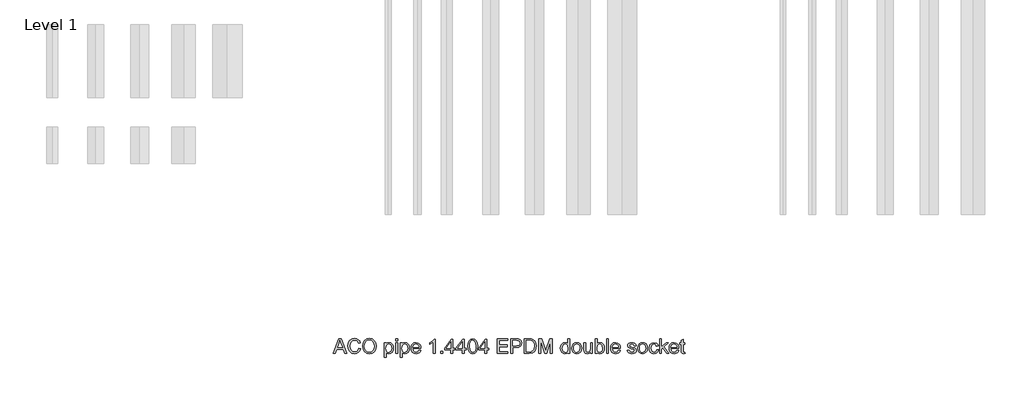
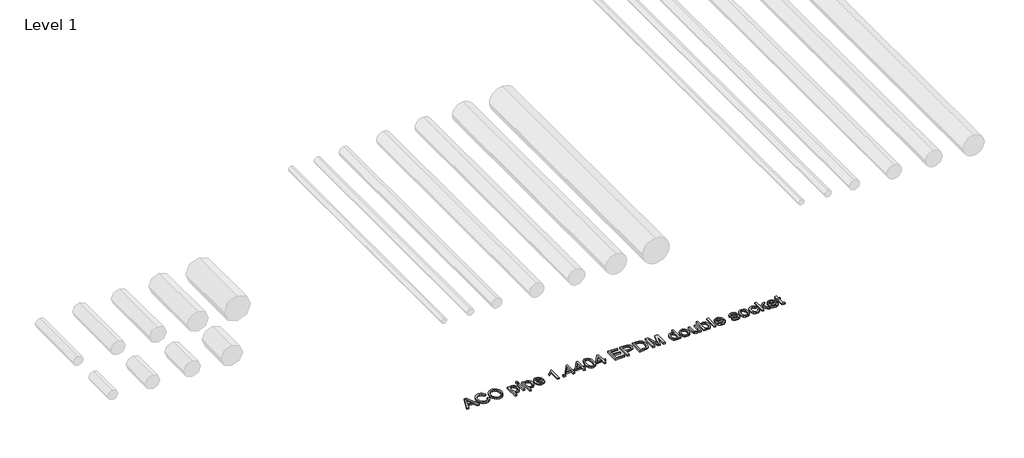
# One storey, part 10 of 13: 1 proxy.
"""IFC4 building model written with IfcOpenShell, lengths in millimetres."""

from ifc_helpers import new_model, si_unit, origin, origin_with_axes, place, context, project, spatial, polyline, outline, extrude, element, save

model = new_model("IFC4")

# Units and contexts
model_context = context("Model", 3, world=origin())
ifc_project = project(units=[si_unit("LENGTHUNIT", "METRE", prefix="MILLI")], contexts=[model_context])

# Site, building, storey
site = spatial("IfcSite", under=ifc_project)
building = spatial("IfcBuilding", under=site)
storey = spatial("IfcBuildingStorey", under=building, Name="Level 1", Elevation=0.0)

# Proxy
placement = place(None, origin())
element("IfcBuildingElementProxy", 1, Name="100mm ACO", ObjectType="100mm ACO", at=placement, inside=storey, context=model_context, shape_type="SweptSolid", body=[
    extrude(outline(polyline([(14738.8757357, -10719.2114353), (14725.0736524, -10719.2114353), (14713.0944857, -10689.5818057), (14670.6465691, -10689.5818057), (14659.1303654, -10719.2114353), (14645.3572172, -10719.2114353), (14684.2171709, -10619.2114353), (14698.3954116, -10619.2114353), (14738.8757357, -10719.2114353)]), holes=[polyline([(14708.5805968, -10678.4706946), (14694.156407, -10641.8098149), (14691.1905505, -10630.1489353), (14686.5319857, -10648.7253242), (14674.9868468, -10678.4706946), (14708.5805968, -10678.4706946)])]), origin_with_axes(), (0.0, 0.0, 1.0), 10.0),
    extrude(outline(polyline([(14832.8572172, -10687.3827316), (14826.9435887, -10702.2083971), (14817.8253885, -10712.7154862), (14806.0379174, -10718.9763369), (14792.1164765, -10721.0632872), (14771.2108052, -10717.2076737), (14756.8734209, -10705.6408335), (14748.5834904, -10688.648646), (14745.8201802, -10668.5169909), (14749.0645378, -10647.1302721), (14758.7976107, -10630.9446529), (14773.63051, -10620.7558508), (14792.1743468, -10617.3595835), (14805.4881489, -10619.1716494), (14816.7258515, -10624.6078473), (14825.3955563, -10633.5379689), (14831.0053654, -10645.8318057), (14818.0424024, -10648.8410649), (14808.1899718, -10633.5777548), (14791.6824487, -10628.4706946), (14777.4608052, -10631.1797513), (14767.1454116, -10639.3069214), (14760.8737103, -10651.9913832), (14758.7831431, -10668.3723149), (14760.9966848, -10686.7353068), (14767.6373098, -10699.6946529), (14777.8369626, -10707.3877953), (14790.7275876, -10709.9521761), (14801.296164, -10708.3354226), (14809.6801339, -10703.4851622), (14815.8794973, -10695.3869272), (14819.8942542, -10684.0262501), (14832.8572172, -10687.3827316)])), origin_with_axes(), (0.0, 0.0, 1.0), 10.0),
    extrude(outline(polyline([(14892.203282, -10617.3595835), (14910.6928654, -10620.9330788), (14925.478745, -10631.6535649), (14935.1792658, -10648.2261923), (14938.4127728, -10669.3561112), (14935.1611813, -10690.3956078), (14925.406407, -10706.8705788), (14910.6024429, -10717.5151101), (14892.203282, -10721.0632872), (14873.3303075, -10717.3849017), (14858.5516616, -10706.3497455), (14849.0030505, -10690.0194504), (14845.8201802, -10670.4556483), (14849.0464533, -10648.3744851), (14858.7252728, -10631.5522918), (14873.5473214, -10620.9077605), (14892.203282, -10617.3595835)]), holes=[polyline([(14892.0875413, -10709.9521761), (14905.5279348, -10707.2684376), (14916.1616154, -10699.2172223), (14923.098826, -10686.3844677), (14925.4498098, -10669.3561112), (14923.0952091, -10651.9479804), (14916.031407, -10639.0754399), (14905.4013434, -10631.1218809), (14892.3479579, -10628.4706946), (14879.0016038, -10631.0676274), (14868.2449487, -10638.8584261), (14861.1485945, -10652.0167015), (14858.7831431, -10670.7160649), (14861.0979579, -10686.5978647), (14868.0424024, -10699.1159492), (14878.6833167, -10707.2431193), (14892.0875413, -10709.9521761)])]), origin_with_axes(), (0.0, 0.0, 1.0), 10.0),
    extrude(outline(polyline([(15007.0614996, -10655.6987038), (15015.5178075, -10647.7776969), (15027.1859209, -10645.1373612), (15039.5123098, -10647.7270603), (15048.9451802, -10655.4961575), (15054.9347635, -10667.4246876), (15056.9312913, -10682.4926853), (15054.6743468, -10698.3817189), (15047.9035135, -10710.6321529), (15037.8485366, -10718.4555036), (15025.7391616, -10721.0632872), (15015.3658978, -10718.9365511), (15007.2785135, -10712.5563427), (15006.9312913, -10746.9892131), (14993.9683283, -10746.9892131), (14993.9683283, -10646.9892131), (15006.9312913, -10646.9892131), (15007.0614996, -10655.6987038)]), holes=[polyline([(15024.3213376, -10711.8040279), (15032.0940517, -10709.9774943), (15038.3983052, -10704.4978936), (15042.5758225, -10695.4013948), (15043.9683283, -10682.7241668), (15042.6264591, -10670.6473439), (15038.6008515, -10661.7316899), (15032.4846767, -10656.2303879), (15024.8711061, -10654.3966205), (15016.989885, -10656.4401679), (15010.6494626, -10662.5708103), (15006.4719452, -10671.956661), (15005.0794394, -10683.7658335), (15006.4140748, -10695.8788254), (15010.4179811, -10704.6715048), (15016.563091, -10710.0208971), (15024.3213376, -10711.8040279)])]), origin_with_axes(), (0.0, 0.0, 1.0), 10.0),
    extrude(outline(polyline([(15084.7090691, -10719.2114353), (15071.7461061, -10719.2114353), (15071.7461061, -10646.9892131), (15084.7090691, -10646.9892131), (15084.7090691, -10719.2114353)])), origin_with_axes(), (0.0, 0.0, 1.0), 10.0),
    extrude(outline(polyline([(15084.7090691, -10632.1743983), (15071.7461061, -10632.1743983), (15071.7461061, -10619.2114353), (15084.7090691, -10619.2114353), (15084.7090691, -10632.1743983)])), origin_with_axes(), (0.0, 0.0, 1.0), 10.0),
    extrude(outline(polyline([(15116.3207589, -10655.6987038), (15124.7770667, -10647.7776969), (15136.4451802, -10645.1373612), (15148.7715691, -10647.7270603), (15158.2044394, -10655.4961575), (15164.1940228, -10667.4246876), (15166.1905505, -10682.4926853), (15163.9336061, -10698.3817189), (15157.1627728, -10710.6321529), (15147.1077959, -10718.4555036), (15134.9984209, -10721.0632872), (15124.625157, -10718.9365511), (15116.5377728, -10712.5563427), (15116.1905505, -10746.9892131), (15103.2275876, -10746.9892131), (15103.2275876, -10646.9892131), (15116.1905505, -10646.9892131), (15116.3207589, -10655.6987038)]), holes=[polyline([(15133.5805968, -10711.8040279), (15141.353311, -10709.9774943), (15147.6575644, -10704.4978936), (15151.8350818, -10695.4013948), (15153.2275876, -10682.7241668), (15151.8857184, -10670.6473439), (15147.8601107, -10661.7316899), (15141.743936, -10656.2303879), (15134.1303654, -10654.3966205), (15126.2491443, -10656.4401679), (15119.9087218, -10662.5708103), (15115.7312045, -10671.956661), (15114.3386987, -10683.7658335), (15115.6733341, -10695.8788254), (15119.6772404, -10704.6715048), (15125.8223503, -10710.0208971), (15133.5805968, -10711.8040279)])]), origin_with_axes(), (0.0, 0.0, 1.0), 10.0),
    extrude(outline(polyline([(15243.9683283, -10685.878102), (15190.2646246, -10685.878102), (15192.3371073, -10697.0036807), (15197.0499255, -10705.1489353), (15203.8316096, -10710.1402548), (15212.1106894, -10711.8040279), (15223.7860366, -10708.1147918), (15231.0053654, -10696.9892131), (15243.9683283, -10698.4938427), (15239.5918816, -10708.1147918), (15232.6546709, -10715.2183798), (15223.4098792, -10719.6020603), (15212.1106894, -10721.0632872), (15197.5237392, -10718.5567767), (15186.5175181, -10711.0372455), (15179.6056258, -10699.1774365), (15177.3016616, -10683.6500927), (15179.5224371, -10668.1118983), (15186.1847635, -10655.8144446), (15196.8835482, -10647.8066321), (15211.2136987, -10645.1373612), (15226.4336061, -10648.5951159), (15238.8612681, -10660.3717362), (15242.6915633, -10670.9077605), (15243.9683283, -10685.878102)]), holes=[polyline([(15231.0053654, -10676.6188427), (15228.922032, -10666.4625927), (15224.1766616, -10659.6049538), (15210.8954116, -10654.3966205), (15203.0395089, -10655.9446529), (15196.7171709, -10660.5887501), (15190.2646246, -10676.6188427), (15231.0053654, -10676.6188427)])]), origin_with_axes(), (0.0, 0.0, 1.0), 10.0),
    extrude(outline(polyline([(15342.1164765, -10719.2114353), (15329.1535135, -10719.2114353), (15329.1535135, -10641.4336575), (15305.0794394, -10656.2484723), (15305.0794394, -10646.9892131), (15323.3520089, -10635.2704631), (15334.7090691, -10621.0632872), (15342.1164765, -10621.0632872), (15342.1164765, -10719.2114353)])), origin_with_axes(), (0.0, 0.0, 1.0), 10.0),
    extrude(outline(polyline([(15393.9683283, -10719.2114353), (15379.1535135, -10719.2114353), (15379.1535135, -10704.3966205), (15393.9683283, -10704.3966205), (15393.9683283, -10719.2114353)])), origin_with_axes(), (0.0, 0.0, 1.0), 10.0),
    extrude(outline(polyline([(15475.4498098, -10695.1373612), (15462.4868468, -10695.1373612), (15462.4868468, -10719.2114353), (15449.5238839, -10719.2114353), (15449.5238839, -10695.1373612), (15406.9312913, -10695.1373612), (15406.9312913, -10685.878102), (15451.8386987, -10621.0632872), (15462.4868468, -10621.0632872), (15462.4868468, -10685.878102), (15475.4498098, -10685.878102), (15475.4498098, -10695.1373612)]), holes=[polyline([(15449.5238839, -10685.878102), (15449.5238839, -10639.9868983), (15417.7530505, -10685.878102), (15449.5238839, -10685.878102)])]), origin_with_axes(), (0.0, 0.0, 1.0), 10.0),
    extrude(outline(polyline([(15553.2275876, -10695.1373612), (15540.2646246, -10695.1373612), (15540.2646246, -10719.2114353), (15527.3016616, -10719.2114353), (15527.3016616, -10695.1373612), (15484.7090691, -10695.1373612), (15484.7090691, -10685.878102), (15529.6164765, -10621.0632872), (15540.2646246, -10621.0632872), (15540.2646246, -10685.878102), (15553.2275876, -10685.878102), (15553.2275876, -10695.1373612)]), holes=[polyline([(15527.3016616, -10685.878102), (15527.3016616, -10639.9868983), (15495.5308283, -10685.878102), (15527.3016616, -10685.878102)])]), origin_with_axes(), (0.0, 0.0, 1.0), 10.0),
    extrude(outline(polyline([(15599.4949487, -10619.2114353), (15614.0909412, -10622.3979226), (15624.5166501, -10631.9573844), (15630.7720754, -10647.8898207), (15632.8572172, -10670.1952316), (15630.7015459, -10692.6670198), (15624.234532, -10708.5198844), (15613.7382936, -10717.9274365), (15599.4949487, -10721.0632872), (15584.9242745, -10717.8840337), (15574.5166501, -10708.3462733), (15568.2720754, -10692.4500059), (15566.1905505, -10670.1952316), (15568.3462218, -10647.7270603), (15574.8132357, -10631.8271761), (15585.2950066, -10622.3653705), (15599.4949487, -10619.2114353)]), holes=[polyline([(15599.5238839, -10711.8040279), (15608.3635829, -10709.3698554), (15614.7437913, -10702.0673381), (15618.6066385, -10689.2309666), (15619.8942542, -10670.1952316), (15617.6373098, -10645.9764816), (15610.8230737, -10632.8109723), (15599.3792079, -10628.4706946), (15590.5575934, -10630.9482698), (15584.2316385, -10638.3809955), (15580.4230448, -10651.289705), (15579.1535135, -10670.1952316), (15581.4538607, -10694.2548381), (15588.2680968, -10707.4637501), (15599.5238839, -10711.8040279)])]), origin_with_axes(), (0.0, 0.0, 1.0), 10.0),
    extrude(outline(polyline([(15708.7831431, -10695.1373612), (15695.8201802, -10695.1373612), (15695.8201802, -10719.2114353), (15682.8572172, -10719.2114353), (15682.8572172, -10695.1373612), (15640.2646246, -10695.1373612), (15640.2646246, -10685.878102), (15685.172032, -10621.0632872), (15695.8201802, -10621.0632872), (15695.8201802, -10685.878102), (15708.7831431, -10685.878102), (15708.7831431, -10695.1373612)]), holes=[polyline([(15682.8572172, -10685.878102), (15682.8572172, -10639.9868983), (15651.0863839, -10685.878102), (15682.8572172, -10685.878102)])]), origin_with_axes(), (0.0, 0.0, 1.0), 10.0),
    extrude(outline(polyline([(15840.2646246, -10719.2114353), (15766.1905505, -10719.2114353), (15766.1905505, -10619.2114353), (15838.4127728, -10619.2114353), (15838.4127728, -10630.3225464), (15779.1535135, -10630.3225464), (15779.1535135, -10661.8040279), (15834.7090691, -10661.8040279), (15834.7090691, -10672.915139), (15779.1535135, -10672.915139), (15779.1535135, -10708.1003242), (15840.2646246, -10708.1003242), (15840.2646246, -10719.2114353)])), origin_with_axes(), (0.0, 0.0, 1.0), 10.0),
    extrude(outline(polyline([(15858.7831431, -10619.2114353), (15896.3410135, -10619.2114353), (15911.6477265, -10620.0939585), (15923.5690228, -10624.6801853), (15931.8878885, -10634.7351622), (15934.7090691, -10648.0308798), (15932.4846767, -10660.4621587), (15925.8114996, -10670.1518288), (15914.2338086, -10676.3909781), (15897.2958746, -10678.4706946), (15871.7461061, -10678.4706946), (15871.7461061, -10719.2114353), (15858.7831431, -10719.2114353), (15858.7831431, -10619.2114353)]), holes=[polyline([(15871.7461061, -10667.3595835), (15897.8167079, -10667.3595835), (15915.7637566, -10662.6214469), (15920.2505187, -10656.6987762), (15921.7461061, -10648.4070372), (15918.6355737, -10637.4261344), (15910.9966848, -10631.4944214), (15897.5273561, -10630.3225464), (15871.7461061, -10630.3225464), (15871.7461061, -10667.3595835)])]), origin_with_axes(), (0.0, 0.0, 1.0), 10.0),
    extrude(outline(polyline([(15951.3757357, -10619.2114353), (15985.4035135, -10619.2114353), (16000.797032, -10620.1373612), (16013.1234209, -10624.6367825), (16023.4098792, -10634.4892131), (16030.3398561, -10648.9134029), (16032.8572172, -10668.6616668), (16030.2675181, -10688.7969388), (16022.4984209, -10704.9897918), (16008.4142195, -10715.6560244), (15986.8792079, -10719.2114353), (15951.3757357, -10719.2114353), (15951.3757357, -10619.2114353)]), holes=[polyline([(15964.3386987, -10708.1003242), (15985.6639302, -10708.1003242), (15997.3103422, -10707.2612038), (16007.7125413, -10702.7328473), (16016.4364996, -10690.6379399), (16019.8942542, -10668.3723149), (16018.5632357, -10654.0783335), (16013.6731894, -10641.9689585), (16005.4989996, -10633.9683798), (15996.500157, -10630.8723149), (15985.2588376, -10630.3225464), (15964.3386987, -10630.3225464), (15964.3386987, -10708.1003242)])]), origin_with_axes(), (0.0, 0.0, 1.0), 10.0),
    extrude(outline(polyline([(16143.9683283, -10719.2114353), (16131.0053654, -10719.2114353), (16131.0053654, -10635.415139), (16105.484532, -10719.2114353), (16091.7113839, -10719.2114353), (16064.7148561, -10634.0551853), (16064.3386987, -10719.2114353), (16051.3757357, -10719.2114353), (16051.3757357, -10619.2114353), (16071.0805968, -10619.2114353), (16093.9104579, -10690.0737038), (16098.3375413, -10704.8885186), (16103.3433283, -10688.8584261), (16124.697495, -10619.2114353), (16143.9683283, -10619.2114353), (16143.9683283, -10719.2114353)])), origin_with_axes(), (0.0, 0.0, 1.0), 10.0),
    extrude(outline(polyline([(16262.4868468, -10719.2114353), (16249.5238839, -10719.2114353), (16249.5238839, -10711.0517131), (16241.1688491, -10718.5603936), (16229.7900876, -10721.0632872), (16217.9230448, -10718.4229515), (16208.1899718, -10710.5019446), (16201.6904059, -10698.3708682), (16199.5238839, -10683.1003242), (16201.5999834, -10667.3595835), (16207.828282, -10655.3225464), (16217.4636987, -10647.6836575), (16229.7611524, -10645.1373612), (16241.0458746, -10647.4232409), (16249.2634672, -10654.2808798), (16249.5238839, -10619.2114353), (16262.4868468, -10619.2114353), (16262.4868468, -10719.2114353)]), holes=[polyline([(16231.2947172, -10711.8040279), (16238.3476686, -10710.096852), (16244.228745, -10704.9753242), (16248.2000991, -10696.3815742), (16249.5238839, -10684.2577316), (16244.6772404, -10662.4984723), (16238.7780795, -10656.4220835), (16230.7738839, -10654.3966205), (16222.8275586, -10656.3786807), (16217.1020089, -10662.3248612), (16212.4868468, -10683.1292594), (16214.9752728, -10698.8844677), (16221.9197172, -10708.5632872), (16231.2947172, -10711.8040279)])]), origin_with_axes(), (0.0, 0.0, 1.0), 10.0),
    extrude(outline(polyline([(16310.6060598, -10645.1373612), (16323.7824198, -10647.5317478), (16334.4920552, -10654.7149075), (16341.59926, -10666.310683), (16343.9683283, -10681.9429168), (16341.4039475, -10700.2154862), (16333.7108052, -10712.2091205), (16322.8058573, -10718.8497455), (16310.6060598, -10721.0632872), (16298.0156373, -10718.7882582), (16287.2119626, -10711.9631714), (16279.7792369, -10700.1974017), (16277.3016616, -10683.1003242), (16279.6960482, -10666.383021), (16286.8792079, -10654.5412964), (16297.5996941, -10647.488345), (16310.6060598, -10645.1373612)]), holes=[polyline([(16310.6060598, -10711.8040279), (16319.4132068, -10709.7966494), (16325.8114996, -10703.774514), (16331.0053654, -10682.6373612), (16329.5369047, -10670.3543751), (16325.1315228, -10661.5146761), (16318.5632357, -10656.1761344), (16310.6060598, -10654.3966205), (16302.4933573, -10656.2014527), (16295.9793237, -10661.6159492), (16291.6932994, -10670.6039411), (16290.2646246, -10683.1292594), (16291.7186177, -10695.6111749), (16296.0805968, -10704.5846992), (16302.6199487, -10709.9991957), (16310.6060598, -10711.8040279)])]), origin_with_axes(), (0.0, 0.0, 1.0), 10.0),
    extrude(outline(polyline([(16418.0424024, -10719.2114353), (16406.9312913, -10719.2114353), (16406.9312913, -10708.7079631), (16396.6882357, -10717.9744561), (16383.7252728, -10721.0632872), (16369.6049024, -10717.5476622), (16360.953282, -10707.8688427), (16358.7831431, -10691.8676853), (16358.7831431, -10646.9892131), (16371.7461061, -10646.9892131), (16371.7461061, -10687.9614353), (16372.6430968, -10702.0528705), (16377.3305968, -10709.0551853), (16386.3583746, -10711.8040279), (16399.1043237, -10706.8850464), (16403.5856605, -10699.3329631), (16405.0794394, -10686.5146761), (16405.0794394, -10646.9892131), (16418.0424024, -10646.9892131), (16418.0424024, -10719.2114353)])), origin_with_axes(), (0.0, 0.0, 1.0), 10.0),
    extrude(outline(polyline([(16449.697495, -10654.1362038), (16458.0597635, -10647.3870719), (16469.1419394, -10645.1373612), (16481.5659846, -10647.6836575), (16491.2339533, -10655.3225464), (16497.4514012, -10667.0702316), (16499.5238839, -10681.9429168), (16497.245238, -10698.6783045), (16490.4093005, -10710.9793751), (16480.520701, -10718.5423092), (16469.0840691, -10721.0632872), (16458.0669973, -10718.5893288), (16449.7843005, -10711.1674538), (16449.5238839, -10719.2114353), (16436.5609209, -10719.2114353), (16436.5609209, -10619.2114353), (16449.5238839, -10619.2114353), (16449.697495, -10654.1362038)]), holes=[polyline([(16467.8687913, -10711.8040279), (16475.2870494, -10709.9123902), (16481.2802496, -10704.237477), (16485.2407531, -10695.1409781), (16486.5609209, -10682.9845835), (16481.6998098, -10662.1078473), (16475.9127728, -10656.3244272), (16468.2738839, -10654.3966205), (16460.6494626, -10656.3859145), (16454.6743468, -10662.3537964), (16449.5238839, -10682.4926853), (16451.6650876, -10699.4487038), (16458.1176339, -10708.143727), (16467.8687913, -10711.8040279)])]), origin_with_axes(), (0.0, 0.0, 1.0), 10.0),
    extrude(outline(polyline([(16527.3016616, -10719.2114353), (16514.3386987, -10719.2114353), (16514.3386987, -10619.2114353), (16527.3016616, -10619.2114353), (16527.3016616, -10719.2114353)])), origin_with_axes(), (0.0, 0.0, 1.0), 10.0),
    extrude(outline(polyline([(16608.7831431, -10685.878102), (16555.0794394, -10685.878102), (16557.1519221, -10697.0036807), (16561.8647404, -10705.1489353), (16568.6464244, -10710.1402548), (16576.9255042, -10711.8040279), (16588.6008515, -10708.1147918), (16595.8201802, -10696.9892131), (16608.7831431, -10698.4938427), (16604.4066964, -10708.1147918), (16597.4694857, -10715.2183798), (16588.2246941, -10719.6020603), (16576.9255042, -10721.0632872), (16562.338554, -10718.5567767), (16551.3323329, -10711.0372455), (16544.4204406, -10699.1774365), (16542.1164765, -10683.6500927), (16544.3372519, -10668.1118983), (16550.9995783, -10655.8144446), (16561.698363, -10647.8066321), (16576.0285135, -10645.1373612), (16591.2484209, -10648.5951159), (16603.6760829, -10660.3717362), (16607.5063781, -10670.9077605), (16608.7831431, -10685.878102)]), holes=[polyline([(16595.8201802, -10676.6188427), (16593.7368468, -10666.4625927), (16588.9914765, -10659.6049538), (16575.7102265, -10654.3966205), (16567.8543237, -10655.9446529), (16561.5319857, -10660.5887501), (16555.0794394, -10676.6188427), (16595.8201802, -10676.6188427)])]), origin_with_axes(), (0.0, 0.0, 1.0), 10.0),
    extrude(outline(polyline([(16703.2275876, -10667.3595835), (16698.4388144, -10657.6373612), (16687.3711061, -10654.3966205), (16676.0574487, -10657.1743983), (16671.7461061, -10665.2473149), (16674.5962218, -10672.3943057), (16688.0366154, -10676.2716205), (16705.7594163, -10680.4382872), (16714.8016616, -10686.7606251), (16718.0424024, -10698.0887501), (16716.031407, -10707.0188717), (16709.9984209, -10714.4226622), (16700.6017195, -10719.4031309), (16688.4995783, -10721.0632872), (16676.0248966, -10719.6671645), (16666.6101107, -10715.4787964), (16660.2479869, -10708.5054168), (16656.9312913, -10698.7542594), (16669.8942542, -10696.9892131), (16675.4932126, -10708.1147918), (16688.4995783, -10711.8040279), (16700.797032, -10707.9701159), (16705.0794394, -10698.6385186), (16703.1552496, -10692.6634029), (16698.3520089, -10689.2924538), (16684.7669394, -10686.3989353), (16663.8323329, -10678.5864353), (16658.7831431, -10665.9996298), (16660.6530795, -10657.7133161), (16666.2628885, -10651.0256714), (16675.0338665, -10646.6094388), (16686.3873098, -10645.1373612), (16698.3194568, -10646.424977), (16707.2640459, -10650.2878242), (16713.2210772, -10656.7186691), (16716.1905505, -10665.7102779), (16703.2275876, -10667.3595835)])), origin_with_axes(), (0.0, 0.0, 1.0), 10.0),
    extrude(outline(polyline([(16760.6060598, -10645.1373612), (16773.7824198, -10647.5317478), (16784.4920552, -10654.7149075), (16791.59926, -10666.310683), (16793.9683283, -10681.9429168), (16791.4039475, -10700.2154862), (16783.7108052, -10712.2091205), (16772.8058573, -10718.8497455), (16760.6060598, -10721.0632872), (16748.0156373, -10718.7882582), (16737.2119626, -10711.9631714), (16729.7792369, -10700.1974017), (16727.3016616, -10683.1003242), (16729.6960482, -10666.383021), (16736.8792079, -10654.5412964), (16747.5996941, -10647.488345), (16760.6060598, -10645.1373612)]), holes=[polyline([(16760.6060598, -10711.8040279), (16769.4132068, -10709.7966494), (16775.8114996, -10703.774514), (16781.0053654, -10682.6373612), (16779.5369047, -10670.3543751), (16775.1315228, -10661.5146761), (16768.5632357, -10656.1761344), (16760.6060598, -10654.3966205), (16752.4933573, -10656.2014527), (16745.9793237, -10661.6159492), (16741.6932994, -10670.6039411), (16740.2646246, -10683.1292594), (16741.7186177, -10695.6111749), (16746.0805968, -10704.5846992), (16752.6199487, -10709.9991957), (16760.6060598, -10711.8040279)])]), origin_with_axes(), (0.0, 0.0, 1.0), 10.0),
    extrude(outline(polyline([(16869.8942542, -10694.7612038), (16865.8650297, -10706.5667594), (16858.6963376, -10714.7264816), (16849.3719741, -10719.4790858), (16838.8757357, -10721.0632872), (16824.5600529, -10718.4735881), (16813.9046709, -10710.7044909), (16807.2857473, -10698.66022), (16805.0794394, -10683.2450001), (16810.1141616, -10660.5598149), (16822.7154348, -10648.5951159), (16838.6153191, -10645.1373612), (16858.0742311, -10650.7941899), (16864.609966, -10657.7784203), (16868.0424024, -10667.4174538), (16855.0794394, -10669.2114353), (16849.1766616, -10658.1147918), (16838.759995, -10654.3966205), (16829.8045552, -10656.2810244), (16823.3086061, -10661.9342362), (16819.3589533, -10670.9656309), (16818.0424024, -10682.9845835), (16819.3625702, -10695.2133161), (16823.3230737, -10704.2953473), (16829.7720031, -10709.9268578), (16838.5574487, -10711.8040279), (16851.1587218, -10707.1743983), (16856.9312913, -10693.2855094), (16869.8942542, -10694.7612038)])), origin_with_axes(), (0.0, 0.0, 1.0), 10.0),
    extrude(outline(polyline([(16938.4127728, -10719.2114353), (16925.5366154, -10719.2114353), (16899.4370783, -10681.2484723), (16890.2646246, -10689.5818057), (16890.2646246, -10719.2114353), (16877.3016616, -10719.2114353), (16877.3016616, -10619.2114353), (16890.2646246, -10619.2114353), (16890.2646246, -10675.2010186), (16921.2542079, -10646.9892131), (16937.0238839, -10646.9892131), (16907.3363839, -10674.0146761), (16938.4127728, -10719.2114353)])), origin_with_axes(), (0.0, 0.0, 1.0), 10.0),
    extrude(outline(polyline([(17008.7831431, -10685.878102), (16955.0794394, -10685.878102), (16957.1519221, -10697.0036807), (16961.8647404, -10705.1489353), (16968.6464244, -10710.1402548), (16976.9255042, -10711.8040279), (16988.6008515, -10708.1147918), (16995.8201802, -10696.9892131), (17008.7831431, -10698.4938427), (17004.4066964, -10708.1147918), (16997.4694857, -10715.2183798), (16988.2246941, -10719.6020603), (16976.9255042, -10721.0632872), (16962.338554, -10718.5567767), (16951.3323329, -10711.0372455), (16944.4204406, -10699.1774365), (16942.1164765, -10683.6500927), (16944.3372519, -10668.1118983), (16950.9995783, -10655.8144446), (16961.698363, -10647.8066321), (16976.0285135, -10645.1373612), (16991.2484209, -10648.5951159), (17003.6760829, -10660.3717362), (17007.5063781, -10670.9077605), (17008.7831431, -10685.878102)]), holes=[polyline([(16995.8201802, -10676.6188427), (16993.7368468, -10666.4625927), (16988.9914765, -10659.6049538), (16975.7102265, -10654.3966205), (16967.8543237, -10655.9446529), (16961.5319857, -10660.5887501), (16955.0794394, -10676.6188427), (16995.8201802, -10676.6188427)])]), origin_with_axes(), (0.0, 0.0, 1.0), 10.0),
    extrude(outline(polyline([(17051.3757357, -10720.2241668), (17042.2900876, -10721.0632872), (17030.7015459, -10718.1842362), (17026.259995, -10710.878102), (17025.4498098, -10698.5517131), (17025.4498098, -10656.2484723), (17016.1905505, -10656.2484723), (17016.1905505, -10646.9892131), (17025.4498098, -10646.9892131), (17025.4498098, -10628.6443057), (17038.4127728, -10621.0632872), (17038.4127728, -10646.9892131), (17049.5238839, -10646.9892131), (17049.5238839, -10656.2484723), (17038.4127728, -10656.2484723), (17038.4127728, -10701.1558798), (17039.4544394, -10709.3734723), (17044.7495783, -10711.8040279), (17049.7843005, -10711.8040279), (17051.3757357, -10720.2241668)])), origin_with_axes(), (0.0, 0.0, 1.0), 10.0),
])

save(model, "model.ifc")
